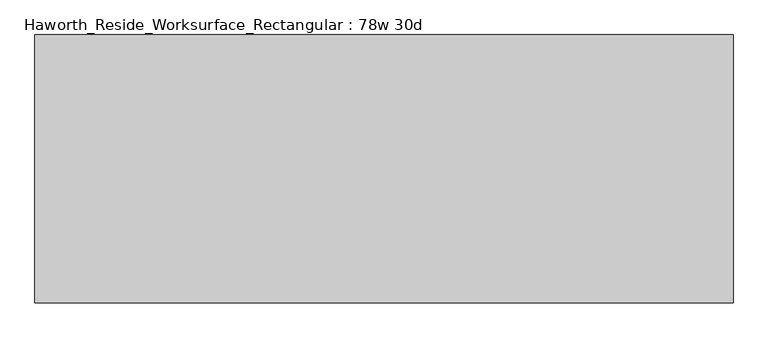
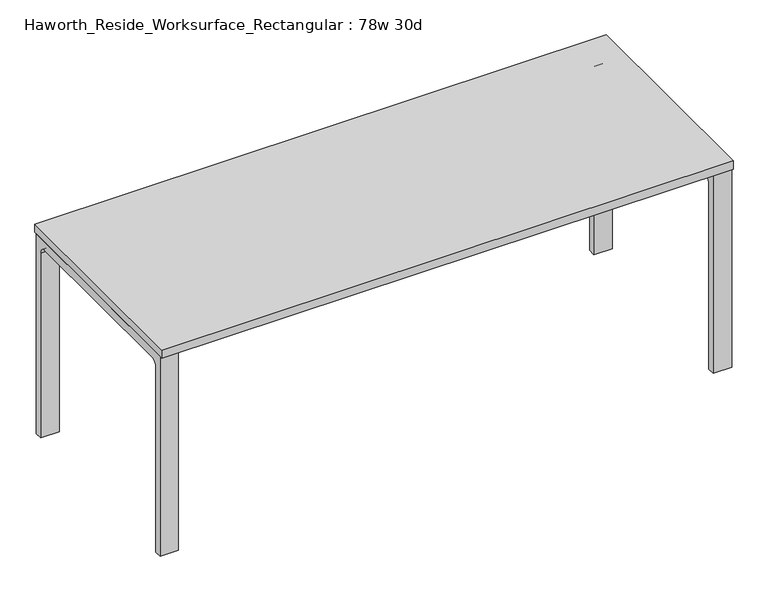
"""IFC4 building model written with IfcOpenShell, lengths in millimetres: furniture geometry, Haworth_Reside_Worksurface_Rectangular : 78w 30d."""

from ifc_helpers import new_model, si_unit, point, frame, frame_2d, origin, place, context, project, spatial, polyline, circle_curve, trimmed, segment, composite_curve, outline, extrude, source, transform, mapped, element, save


def haworth_reside_worksurface_rectangular_78w_30d_1e6402b8(model_context):
    return source(origin(), model_context, "Body", "SweptSolid", [
        extrude(outline(composite_curve([segment(trimmed(circle_curve(frame_2d((320.675, 676.275)), 25.4), [point((346.075, 676.275))], [point((320.675, 701.675))], True, "CARTESIAN"), True, "CONTINUOUS"), segment(polyline([(320.675, 701.675), (-320.675, 701.675)]), True, "CONTINUOUS"), segment(trimmed(circle_curve(frame_2d((-320.675, 676.275)), 25.4), [point((-320.675, 701.675))], [point((-346.075, 676.275))], True, "CARTESIAN"), True, "CONTINUOUS"), segment(polyline([(-346.075, 676.275), (-346.075, 0.0), (-371.475, 0.0), (-371.475, 731.8375), (371.475, 731.8375), (371.475, 0.0), (346.075, 0.0), (346.075, 676.275)]), True, "CONTINUOUS")], self_intersect=False)), frame((927.1, 0.0, 0.0), z_axis=(1.0, 0.0, 0.0), x_axis=(0.0, 1.0, 0.0)), (0.0, 0.0, 1.0), 63.5),
        extrude(outline(composite_curve([segment(trimmed(circle_curve(frame_2d((320.675, 676.275)), 25.4), [point((346.075, 676.275))], [point((320.675, 701.675))], True, "CARTESIAN"), True, "CONTINUOUS"), segment(polyline([(320.675, 701.675), (-320.675, 701.675)]), True, "CONTINUOUS"), segment(trimmed(circle_curve(frame_2d((-320.675, 676.275)), 25.4), [point((-320.675, 701.675))], [point((-346.075, 676.275))], True, "CARTESIAN"), True, "CONTINUOUS"), segment(polyline([(-346.075, 676.275), (-346.075, 0.0), (-371.475, 0.0), (-371.475, 731.8375), (371.475, 731.8375), (371.475, 0.0), (346.075, 0.0), (346.075, 676.275)]), True, "CONTINUOUS")], self_intersect=False)), frame((-990.6, 0.0, 0.0), z_axis=(1.0, 0.0, 0.0), x_axis=(0.0, 1.0, 0.0)), (0.0, 0.0, 1.0), 63.5),
        extrude(outline(polyline([(990.6, 381.0), (990.6, -381.0), (-990.6, -381.0), (-990.6, 381.0), (990.6, 381.0)])), frame((0.0, 0.0, 731.8375), z_axis=(0.0, 0.0, 1.0), x_axis=(1.0, 0.0, 0.0)), (0.0, 0.0, 1.0), 30.1625),
    ])


if __name__ == "__main__":
    model = new_model("IFC4")
    model_context = context("Model", 3, world=origin())
    ifc_project = project(units=[si_unit("LENGTHUNIT", "METRE", prefix="MILLI")], contexts=[model_context])
    site = spatial("IfcSite", under=ifc_project)
    building = spatial("IfcBuilding", under=site)
    placement = place(None, origin())
    haworth_reside_worksurface_rectangular_78w_30d_shape = haworth_reside_worksurface_rectangular_78w_30d_1e6402b8(model_context)
    element("IfcFurniture", 1, ObjectType="Haworth_Reside_Worksurface_Rectangular : 78w 30d", at=placement, inside=building, context=model_context, shape_type="MappedRepresentation", body=[
        mapped(haworth_reside_worksurface_rectangular_78w_30d_shape, transform((0.0, 0.0, 0.0), x_axis=(1.0, 0.0, 0.0), y_axis=(0.0, 1.0, 0.0), z_axis=(0.0, 0.0, 1.0))),
    ])
    save(model, "model.ifc")
